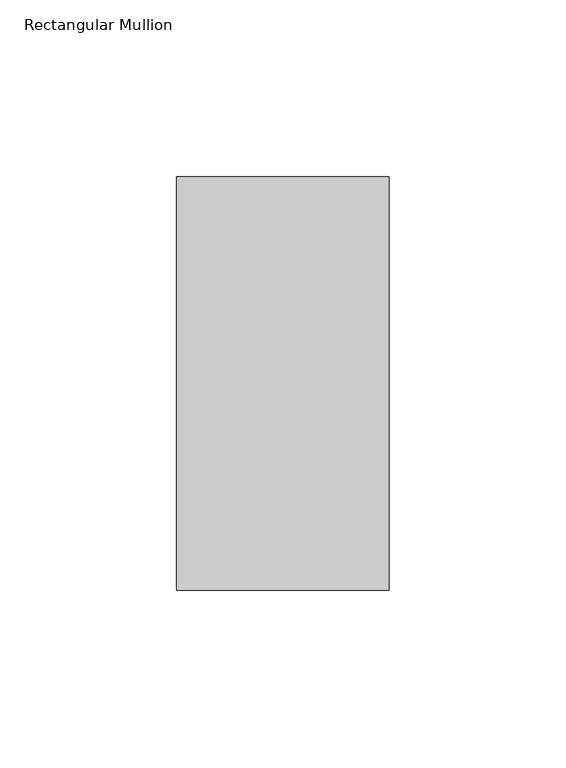
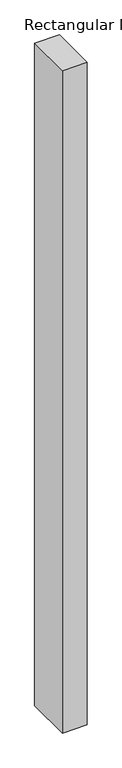
"""IFC4 building model written with IfcOpenShell, lengths in millimetres: member geometry, Rectangular Mullion."""

from ifc_helpers import new_model, si_unit, frame, origin, place, context, project, spatial, polyline, outline, extrude, source, transform, mapped, element, save


def rectangular_mullion_4c0aeb74(model_context):
    return source(origin(), model_context, "Body", "SweptSolid", [
        extrude(outline(polyline([(30.0, 73.875), (30.0, -42.875), (-30.0, -42.875), (-30.0, 73.875), (30.0, 73.875)])), frame((0.0, 0.0, -1708.8912252), z_axis=(0.0, 0.0, 1.0), x_axis=(1.0, 0.0, 0.0)), (0.0, 0.0, 1.0), 1708.8912252),
    ])


if __name__ == "__main__":
    model = new_model("IFC4")
    model_context = context("Model", 3, world=origin())
    ifc_project = project(units=[si_unit("LENGTHUNIT", "METRE", prefix="MILLI")], contexts=[model_context])
    site = spatial("IfcSite", under=ifc_project)
    building = spatial("IfcBuilding", under=site)
    placement = place(None, origin())
    rectangular_mullion_shape = rectangular_mullion_4c0aeb74(model_context)
    element("IfcMember", 1, ObjectType="Rectangular Mullion", at=placement, inside=building, context=model_context, shape_type="MappedRepresentation", body=[
        mapped(rectangular_mullion_shape, transform((0.0, 0.0, 0.0), x_axis=(1.0, 0.0, 0.0), y_axis=(0.0, 1.0, 0.0), z_axis=(0.0, 0.0, 1.0))),
    ])
    save(model, "model.ifc")
